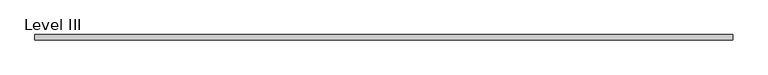
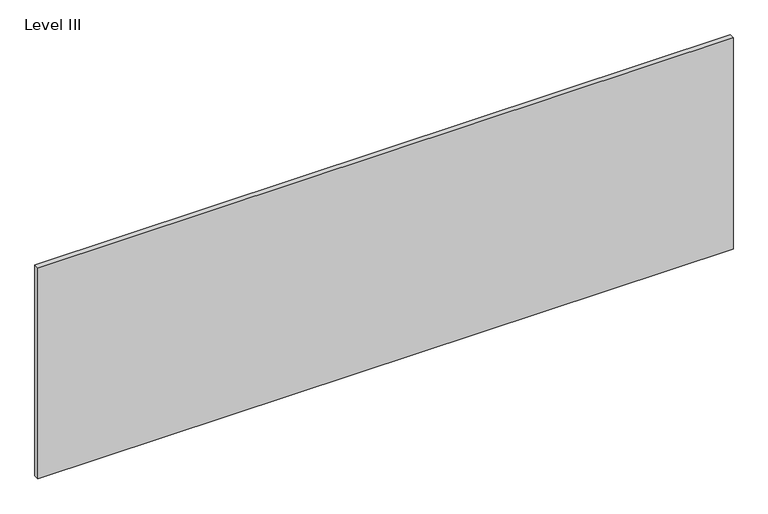
"""IFC4 building model written with IfcOpenShell, lengths in millimetres: proxy geometry, Level III."""

from ifc_helpers import new_model, si_unit, frame, origin, place, context, project, spatial, polyline, outline, extrude, source, transform, mapped, element, save


def level_iii_156669a2(model_context):
    return source(origin(), model_context, "Body", "SweptSolid", [
        extrude(outline(polyline([(1252.8407125, -9.525), (-1252.8407125, -9.525), (-1252.8407125, 9.525), (1252.8407125, 9.525), (1252.8407125, -9.525)])), frame((0.0, 0.0, 3.175), z_axis=(0.0, 0.0, 1.0), x_axis=(1.0, 0.0, 0.0)), (0.0, 0.0, 1.0), 804.418),
    ])


if __name__ == "__main__":
    model = new_model("IFC4")
    model_context = context("Model", 3, world=origin())
    ifc_project = project(units=[si_unit("LENGTHUNIT", "METRE", prefix="MILLI")], contexts=[model_context])
    site = spatial("IfcSite", under=ifc_project)
    building = spatial("IfcBuilding", under=site)
    placement = place(None, origin())
    level_iii_shape = level_iii_156669a2(model_context)
    element("IfcBuildingElementProxy", 1, Name="Level III", ObjectType="Level III", at=placement, inside=building, context=model_context, shape_type="MappedRepresentation", body=[
        mapped(level_iii_shape, transform((0.0, 0.0, 0.0), x_axis=(1.0, 0.0, 0.0), y_axis=(0.0, 1.0, 0.0), z_axis=(0.0, 0.0, 1.0))),
    ])
    save(model, "model.ifc")
